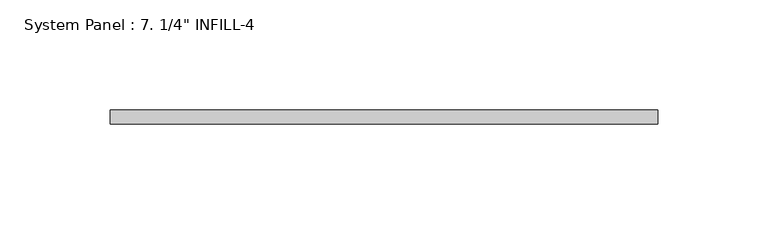
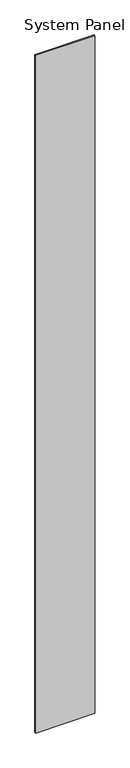
"""IFC4 building model written with IfcOpenShell, lengths in millimetres: plate geometry."""

from ifc_helpers import new_model, si_unit, origin, origin_with_axes, place, context, project, spatial, polyline, outline, extrude, source, transform, mapped, element, save


def plate_2acc66e5(model_context):
    return source(origin(), model_context, "Body", "SweptSolid", [
        extrude(outline(polyline([(123.825, -6.4492187), (-123.825, -6.4492187), (-123.825, -0.0992188), (123.825, -0.0992188), (123.825, -6.4492187)])), origin_with_axes(), (0.0, 0.0, 1.0), 2997.2),
    ])


if __name__ == "__main__":
    model = new_model("IFC4")
    model_context = context("Model", 3, world=origin())
    ifc_project = project(units=[si_unit("LENGTHUNIT", "METRE", prefix="MILLI")], contexts=[model_context])
    site = spatial("IfcSite", under=ifc_project)
    building = spatial("IfcBuilding", under=site)
    placement = place(None, origin())
    plate_shape = plate_2acc66e5(model_context)
    element("IfcPlate", 1, ObjectType="System Panel : 7. 1/4\" INFILL-4", at=placement, inside=building, context=model_context, shape_type="MappedRepresentation", body=[
        mapped(plate_shape, transform((0.0, 0.0, 0.0), x_axis=(1.0, 0.0, 0.0), y_axis=(0.0, 1.0, 0.0), z_axis=(0.0, 0.0, 1.0))),
    ])
    save(model, "model.ifc")
